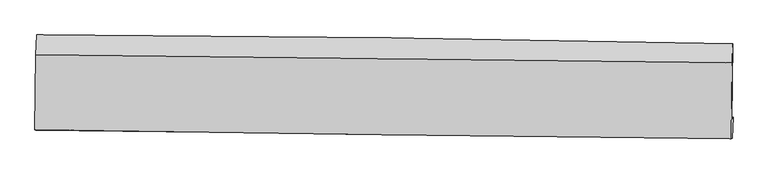
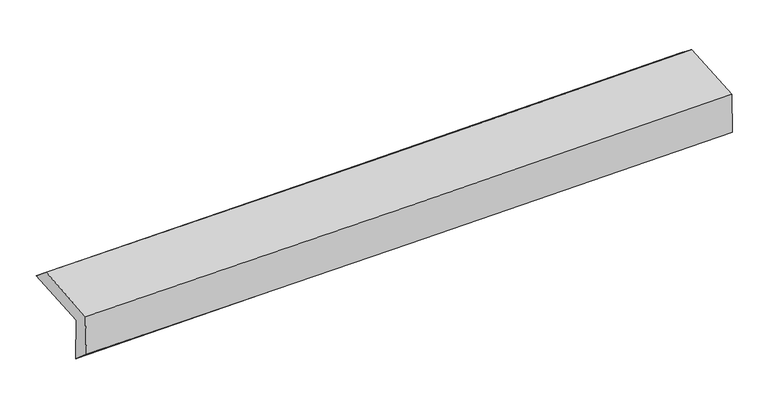
"""IFC4 building model written with IfcOpenShell, lengths in millimetres: proxy geometry."""

import ifcopenshell
import ifcopenshell.guid

model = None  # the IFC model being written
_history = None  # IfcOwnerHistory: only IFC2X3 demands one
_inside = {}  # id of a spatial element -> (the spatial element, [elements in it])
_under = {}  # id of a project, library or spatial element -> (it, [spatial elements below it])
_declared = {}  # id of a project -> (the project, [libraries it declares])
_typed = {}  # id of a type object -> (the type object, [elements of that type])
_made_of = {}  # id of a material, layer set ... -> (it, [elements and type objects made of it])


def new_model(schema):
    """Start an empty IFC model of exactly this schema.

    Asked for "IFC4X3", IfcOpenShell would pick the latest addendum, in which some entities
    have other attributes; the version numbers below select the first issue.
    IFC2X3 requires an IfcOwnerHistory on every rooted entity: one is made here for all.
    """
    global model, _history
    if schema == "IFC4X3":
        model = ifcopenshell.file(schema_version=(4, 3, 0, 0))
    else:
        model = ifcopenshell.file(schema=schema)
    _inside.clear()
    _under.clear()
    _declared.clear()
    _typed.clear()
    _made_of.clear()
    _history = None
    if model.schema == "IFC2X3":
        org = make("IfcOrganization", Name="unknown")
        user = make(
            "IfcPersonAndOrganization",
            ThePerson=make("IfcPerson", FamilyName="unknown"),
            TheOrganization=org,
        )
        app = make(
            "IfcApplication",
            ApplicationDeveloper=org,
            Version="unknown",
            ApplicationFullName="unknown",
            ApplicationIdentifier="unknown",
        )
        _history = make(
            "IfcOwnerHistory",
            OwningUser=user,
            OwningApplication=app,
            ChangeAction="ADDED",
            CreationDate=0,
        )
    return model


def make(cls, **values):
    """One entity of the class cls with the attributes given. An attribute that is None is left unset."""
    return model.create_entity(
        cls, **{name: value for name, value in values.items() if value is not None}
    )


def rooted(cls, **values):
    """An entity with a GlobalId (a new one), such as an element, a storey or a relation."""
    return make(cls, GlobalId=ifcopenshell.guid.new(), OwnerHistory=_history, **values)


def si_unit(unit_type, name, prefix=None):
    """IfcSIUnit, for example si_unit("LENGTHUNIT", "METRE", prefix="MILLI")."""
    return make("IfcSIUnit", UnitType=unit_type, Prefix=prefix, Name=name)


def assignment(units):
    """IfcUnitAssignment: the units of a project."""
    return None if units is None else make("IfcUnitAssignment", Units=units)


def point(xyz):
    """IfcCartesianPoint."""
    return None if xyz is None else make("IfcCartesianPoint", Coordinates=xyz)


def direction(xyz):
    """IfcDirection."""
    return None if xyz is None else make("IfcDirection", DirectionRatios=xyz)


def frame(location, z_axis=None, x_axis=None):
    """IfcAxis2Placement3D, a coordinate frame: its origin and axes. An axis left out is left unset."""
    return make(
        "IfcAxis2Placement3D",
        Location=point(location),
        Axis=direction(z_axis),
        RefDirection=direction(x_axis),
    )


def origin():
    """The frame at (0, 0, 0) with its axes left unset."""
    return frame((0.0, 0.0, 0.0))


def place(relative_to, where):
    """IfcLocalPlacement: puts the frame where relative to a parent placement (None: the world)."""
    return make(
        "IfcLocalPlacement", PlacementRelTo=relative_to, RelativePlacement=where
    )


def context(
    kind, dimensions, precision=None, world=None, true_north=None, identifier=None
):
    """IfcGeometricRepresentationContext, for example the 3D "Model" context."""
    return make(
        "IfcGeometricRepresentationContext",
        ContextIdentifier=identifier,
        ContextType=kind,
        CoordinateSpaceDimension=dimensions,
        Precision=precision,
        WorldCoordinateSystem=world,
        TrueNorth=true_north,
    )


def project(units=None, contexts=None):
    """IfcProject with its units and contexts."""
    return rooted(
        "IfcProject",
        Name="project",
        RepresentationContexts=contexts,
        UnitsInContext=assignment(units),
    )


def spatial(cls, under=None, at=None, **own):
    """A site, building, storey or space (cls), placed at a placement, below another one or the project."""
    s = rooted(cls, ObjectPlacement=at, **own)
    if under is not None:
        _under.setdefault(under.id(), (under, []))[1].append(s)
    return s


def shape(context_of_items, identifier, shape_type, items):
    """IfcShapeRepresentation: the items that make up one representation, for example the "Body"."""
    return make(
        "IfcShapeRepresentation",
        ContextOfItems=context_of_items,
        RepresentationIdentifier=identifier,
        RepresentationType=shape_type,
        Items=items,
    )


def source(mapping_origin, context_of_items, identifier, shape_type, items):
    """IfcRepresentationMap: a shape defined once, which mapped items show again and again."""
    return make(
        "IfcRepresentationMap",
        MappingOrigin=mapping_origin,
        MappedRepresentation=shape(context_of_items, identifier, shape_type, items),
    )


def transform(
    local_origin,
    x_axis=None,
    y_axis=None,
    z_axis=None,
    scale=None,
    scale2=None,
    scale3=None,
    uniform=True,
):
    """IfcCartesianTransformationOperator3D, or its non-uniform kind. x_axis, y_axis, z_axis: its Axis1, 2, 3."""
    if uniform:
        return make(
            "IfcCartesianTransformationOperator3D",
            Axis1=direction(x_axis),
            Axis2=direction(y_axis),
            LocalOrigin=point(local_origin),
            Scale=scale,
            Axis3=direction(z_axis),
        )
    return make(
        "IfcCartesianTransformationOperator3DnonUniform",
        Axis1=direction(x_axis),
        Axis2=direction(y_axis),
        LocalOrigin=point(local_origin),
        Scale=scale,
        Axis3=direction(z_axis),
        Scale2=scale2,
        Scale3=scale3,
    )


def mapped(mapping_source, mapping_target):
    """IfcMappedItem: shows the shape of a source again, moved by a transform."""
    return make(
        "IfcMappedItem", MappingSource=mapping_source, MappingTarget=mapping_target
    )


def made_of(thing, what):
    """Note that an element or type object is made of a material, layer set ...; save() writes the relation."""
    if what is not None:
        _made_of.setdefault(what.id(), (what, []))[1].append(thing)
    return thing


def element(
    cls,
    number,
    at=None,
    inside=None,
    cuts=None,
    type_object=None,
    material=None,
    context=None,
    identifier="Body",
    shape_type=None,
    held_by="IfcProductDefinitionShape",
    body=None,
    shapes=None,
    **own,
):
    """One element of the class cls, such as IfcWall. Its Tag is "e" and its number.

    at: its placement. inside: the storey or other place that contains it. cuts: it is an
    opening in that element (IfcRelVoidsElement). A single representation is given by context,
    identifier, shape_type and body (its items); several are given by shapes. held_by: the class
    of the entity that holds the representations. save() writes the other relations.
    """
    e = rooted(cls, Tag="e%d" % number, ObjectPlacement=at, **own)
    if body is not None:
        shapes = [shape(context, identifier, shape_type, body)]
    if shapes is not None:
        e.Representation = make(held_by, Representations=shapes)
    if inside is not None:
        _inside.setdefault(inside.id(), (inside, []))[1].append(e)
    if cuts is not None:
        rooted(
            "IfcRelVoidsElement", RelatingBuildingElement=cuts, RelatedOpeningElement=e
        )
    if type_object is not None:
        _typed.setdefault(type_object.id(), (type_object, []))[1].append(e)
    return made_of(e, material)


def aggregate(whole, parts):
    """IfcRelAggregates: a whole, such as a stair, and the parts it consists of."""
    return rooted("IfcRelAggregates", RelatingObject=whole, RelatedObjects=parts)


def save(model, path):
    """Write the relations noted so far, then the file.

    IfcRelAggregates (storeys below a building ...), IfcRelContainedInSpatialStructure (elements
    in a storey), IfcRelDefinesByType, IfcRelAssociatesMaterial and IfcRelDeclares: one each for
    every whole, place, type object, material and project.
    """
    for whole, parts in _under.values():
        aggregate(whole, parts)
    for where, things in _inside.values():
        rooted(
            "IfcRelContainedInSpatialStructure",
            RelatedElements=things,
            RelatingStructure=where,
        )
    for kind, things in _typed.values():
        rooted("IfcRelDefinesByType", RelatedObjects=things, RelatingType=kind)
    for what, things in _made_of.values():
        rooted("IfcRelAssociatesMaterial", RelatedObjects=things, RelatingMaterial=what)
    for by, libraries in _declared.values():
        rooted("IfcRelDeclares", RelatingContext=by, RelatedDefinitions=libraries)
    model.write(path)


def plane_surface(at):
    """IfcPlane: the flat surface through the origin of the frame at, square to its z axis."""
    return make("IfcPlane", Position=at)


def spline_curve(degree, points, multiplicities, knots, weights=None):
    """IfcBSplineCurveWithKnots; with weights, IfcRationalBSplineCurveWithKnots."""
    own = dict(
        Degree=degree,
        ControlPointsList=[point(p) for p in points],
        CurveForm="UNSPECIFIED",
        ClosedCurve=False,
        SelfIntersect=False,
        KnotMultiplicities=multiplicities,
        Knots=knots,
        KnotSpec="UNSPECIFIED",
    )
    if weights is None:
        return make("IfcBSplineCurveWithKnots", **own)
    return make("IfcRationalBSplineCurveWithKnots", WeightsData=weights, **own)


def spline_surface(u_degree, v_degree, points, u_multiplicities, v_multiplicities, u_knots, v_knots, weights=None):
    """IfcBSplineSurfaceWithKnots; with weights, IfcRationalBSplineSurfaceWithKnots. points: one row for each step in u."""
    own = dict(
        UDegree=u_degree,
        VDegree=v_degree,
        ControlPointsList=[[point(p) for p in row] for row in points],
        SurfaceForm="UNSPECIFIED",
        UClosed=False,
        VClosed=False,
        SelfIntersect=False,
        UMultiplicities=u_multiplicities,
        VMultiplicities=v_multiplicities,
        UKnots=u_knots,
        VKnots=v_knots,
        KnotSpec="UNSPECIFIED",
    )
    if weights is None:
        return make("IfcBSplineSurfaceWithKnots", **own)
    return make("IfcRationalBSplineSurfaceWithKnots", WeightsData=weights, **own)


def advanced_brep(points, edges, surfaces, faces):
    """IfcAdvancedBrep: a solid bounded by faces that lie on surfaces and meet in shared edges.

    An edge is (start, end): straight between two places in points (the first is 0);
    or (start, end, curve); or (start, end, curve, False) where it runs against its curve.
    A face is (place in surfaces, loops), or (place, loops, False) where it looks against
    its surface's normal. A loop lists edges by number (the first is 1), with a minus sign
    where the edge is run from its end to its start. The first loop is the outer one.
    """
    corners = [point(p) for p in points]
    vertices = [make("IfcVertexPoint", VertexGeometry=c) for c in corners]
    made = []
    for start, end, *more in edges:
        made.append(
            make(
                "IfcEdgeCurve",
                EdgeStart=vertices[start],
                EdgeEnd=vertices[end],
                EdgeGeometry=more[0] if more else make("IfcPolyline", Points=[corners[start], corners[end]]),
                SameSense=more[1] if len(more) > 1 else True,
            )
        )
    hull = []
    for where, loops, *sense in faces:
        bounds = []
        for j, loop in enumerate(loops):
            ring = [make("IfcOrientedEdge", EdgeElement=made[abs(k) - 1], Orientation=k > 0) for k in loop]
            bounds.append(
                make(
                    "IfcFaceOuterBound" if j == 0 else "IfcFaceBound",
                    Bound=make("IfcEdgeLoop", EdgeList=ring),
                    Orientation=True,
                )
            )
        hull.append(make("IfcAdvancedFace", Bounds=bounds, FaceSurface=surfaces[where], SameSense=sense[0] if sense else True))
    return make("IfcAdvancedBrep", Outer=make("IfcClosedShell", CfsFaces=hull))


def generic_models_f456de6a(model_context):
    return source(origin(), model_context, "Body", "AdvancedBrep", [
        advanced_brep(
        [(-3024.2557673, -1757.9733591, 1940.7097095), (-3014.9636628, -1095.5329693, 1978.0127544), (3011.1824479, -1170.5761275, 2135.3720055), (3003.0130572, -1833.4771116, 2113.3815632), (-3014.6486953, -1737.0638202, 1541.3721389), (3013.0444817, -1807.4764779, 1699.153425), (-3021.1118609, -1919.7070135, 1698.8490149), (3007.383737, -1989.7780337, 1839.0401666), (-3029.814851, -1917.2079595, 2074.7470582), (2998.4827878, -1993.4573549, 2217.4454777), (-3020.7750845, -1265.4164694, 2115.8781934), (3006.1016562, -1336.595247, 2259.5862354)],
        [
            (0, 1),
            (1, 2, spline_curve(3, [(-3014.9636628, -1095.5329693, 1978.0127544), (-2010.493141014, -1100.15896101, 1993.756285622), (-1006.19626428, -1108.723173013, 2014.73703678), (1002.519268381, -1133.733878803, 2067.185226545), (2006.937761838, -1150.184052704, 2098.657559027), (3011.1824479, -1170.5761275, 2135.3720055)], [4, 2, 4], [0.0, 9.888677806144493, 19.78197503261857])),
            (2, 3),
            (3, 0, spline_curve(3, [(3003.0130572, -1833.4771116, 2113.3815632), (1998.54742545, -1820.513359007, 2072.198379666), (993.924881783, -1807.738077994, 2037.21555389), (-1015.164873095, -1782.570336292, 1979.664058342), (-2019.631937387, -1770.177699902, 1957.089599223), (-3024.2557673, -1757.9733591, 1940.7097095)], [4, 2, 4], [0.0, 9.893297226474076, 19.78197503261857])),
            (4, 0),
            (3, 5),
            (5, 4, spline_curve(3, [(3013.0444817, -1807.4764779, 1699.153425), (2008.246822015, -1794.707646839, 1672.119699202), (1003.422924144, -1782.454259877, 1645.451410634), (-1005.808159654, -1758.983855453, 1592.857990005), (-2010.215320414, -1747.766356212, 1566.932516522), (-3014.6486953, -1737.0638202, 1541.3721389)], [4, 2, 4], [0.0, 9.89441125438793, 19.784202568279632])),
            (6, 4),
            (5, 7),
            (7, 6, spline_curve(3, [(3007.383737, -1989.7780337, 1839.0401666), (2002.512908065, -1977.511990849, 1812.366446364), (997.585534223, -1965.538422188, 1787.344647779), (-1011.913051267, -1942.181688798, 1740.615806383), (-2016.484210226, -1930.798250459, 1718.907220885), (-3021.1118609, -1919.7070135, 1698.8490149)], [4, 2, 4], [0.0, 9.894612860479477, 19.784605686327954])),
            (8, 6),
            (7, 9),
            (9, 8, spline_curve(3, [(2998.4827878, -1993.4573549, 2217.4454777), (1993.632063645, -1982.205797885, 2189.528656162), (988.73124452, -1970.224249099, 2163.676415805), (-1020.701348374, -1944.807102227, 2116.11220363), (-2025.233075526, -1931.372186216, 2094.398304125), (-3029.814851, -1917.2079595, 2074.7470582)], [4, 2, 4], [0.0, 9.894878763475615, 19.785137368163678])),
            (10, 8),
            (9, 11),
            (11, 10, spline_curve(3, [(3006.1016562, -1336.595247, 2259.5862354), (2001.483569947, -1324.080011838, 2231.875880184), (996.817505855, -1311.889520109, 2206.042674309), (-1012.14145271, -1288.163564096, 2158.141746355), (-2016.434302152, -1276.627796446, 2136.072271444), (-3020.7750845, -1265.4164694, 2115.8781934)], [4, 2, 4], [0.0, 9.893632337229455, 19.78264509765799])),
            (1, 10),
            (11, 2),
        ],
        [
            spline_surface(3, 3, [[(-3024.2557673, -1757.9733591, 1940.7097095), (-2019.63193753, -1770.177699871, 1957.089599241), (-1015.164872987, -1782.570336373, 1979.664058258), (993.924881674, -1807.738077913, 2037.215553974), (1998.547425304, -1820.513358905, 2072.198379538), (3003.0130572, -1833.4771116, 2113.3815632)], [(-3021.158399132, -1537.159895828, 1953.144057784), (-2016.58567203, -1546.838120195, 1969.311828051), (-1012.175336719, -1557.954615236, 1991.355051123), (996.789677223, -1583.070011519, 2047.205444773), (2001.344204107, -1597.070256821, 2081.018106), (3005.736187435, -1612.510116874, 2120.711710638)], [(-3018.061030968, -1316.346432572, 1965.578406116), (-2013.539406534, -1323.498540533, 1981.53405691), (-1009.185800469, -1333.338894161, 2003.046044039), (999.654472753, -1358.401945187, 2057.195335622), (2004.140982904, -1373.627154815, 2089.837832447), (3008.459317665, -1391.543122226, 2128.041858062)], [(-3014.9636628, -1095.5329693, 1978.0127544), (-2010.493141035, -1100.158960856, 1993.75628572), (-1006.196264201, -1108.723173023, 2014.737036904), (1002.519268302, -1133.733878793, 2067.185226421), (2006.937761706, -1150.18405273, 2098.657558908), (3011.1824479, -1170.5761275, 2135.3720055)]], [4, 4], [4, 2, 4], [0.0, 2.2138025918507758], [0.0, 9.888677806144493, 19.78197503261857]),
            spline_surface(3, 3, [[(-3014.6486953, -1737.0638202, 1541.3721389), (-2010.215320542, -1747.766356304, 1566.932516362), (-1005.808159503, -1758.983855326, 1592.85798989), (1003.422923994, -1782.454260004, 1645.451410749), (2008.246821955, -1794.707646858, 1672.119699236), (3013.0444817, -1807.4764779, 1699.153425)], [(-3017.851052643, -1744.033666526, 1674.484662456), (-2013.35419288, -1755.236804186, 1696.984877345), (-1008.927063993, -1766.846015694, 1721.793346007), (1000.256909892, -1790.882199326, 1776.039458486), (2005.013689726, -1803.309550891, 1805.479259342), (3009.700673521, -1816.143355817, 1837.229471072)], [(-3021.053409957, -1751.003512774, 1807.597185944), (-2016.493065191, -1762.70725199, 1827.037238259), (-1012.045968497, -1774.708176005, 1850.72870214), (997.090895776, -1799.310138591, 1906.627506238), (2001.780557533, -1811.911454873, 1938.838819432), (3006.356865379, -1824.810233683, 1975.305517128)], [(-3024.2557673, -1757.9733591, 1940.7097095), (-2019.63193753, -1770.177699871, 1957.089599241), (-1015.164872987, -1782.570336373, 1979.664058258), (993.924881674, -1807.738077913, 2037.215553974), (1998.547425304, -1820.513358905, 2072.198379538), (3003.0130572, -1833.4771116, 2113.3815632)]], [4, 4], [4, 2, 4], [0.0, 1.2800732723418646], [0.0, 9.889791313891703, 19.784202568279632]),
            spline_surface(3, 3, [[(-3021.1118609, -1919.7070135, 1698.8490149), (-2016.484210128, -1930.798250382, 1718.90722084), (-1011.913051249, -1942.181688649, 1740.615806272), (997.585534205, -1965.538422337, 1787.34464789), (2002.512907901, -1977.511990768, 1812.366446353), (3007.383737, -1989.7780337, 1839.0401666)], [(-3018.957472348, -1858.825949065, 1646.356722874), (-2014.394580247, -1869.787619021, 1668.248985988), (-1009.878087328, -1881.115744195, 1691.363200821), (999.531330808, -1904.510368213, 1740.046902186), (2004.424212575, -1916.577209457, 1765.617530629), (3009.27065189, -1929.010848426, 1792.411252714)], [(-3016.803083852, -1797.944884635, 1593.864430926), (-2012.304950423, -1808.776987666, 1617.590751215), (-1007.843123425, -1820.04979978, 1642.110595341), (1001.477127392, -1843.482314128, 1692.749156454), (2006.335517281, -1855.642428169, 1718.86861496), (3011.15756681, -1868.243663174, 1745.782338886)], [(-3014.6486953, -1737.0638202, 1541.3721389), (-2010.215320542, -1747.766356304, 1566.932516362), (-1005.808159503, -1758.983855326, 1592.85798989), (1003.422923994, -1782.454260004, 1645.451410749), (2008.246821955, -1794.707646858, 1672.119699236), (3013.0444817, -1807.4764779, 1699.153425)]], [4, 4], [4, 2, 4], [0.0, 0.7662731915172336], [0.0, 9.889992825848477, 19.784605686327954]),
            spline_surface(3, 3, [[(-3029.814851, -1917.2079595, 2074.7470582), (-2025.233075467, -1931.372186144, 2094.398304218), (-1020.701348461, -1944.807102321, 2116.11220357), (988.731244607, -1970.224249006, 2163.676415865), (1993.632063806, -1982.205797944, 2189.528656311), (2998.4827878, -1993.4573549, 2217.4454777)], [(-3026.913854297, -1918.040977498, 1949.447710451), (-2022.316787018, -1931.180874222, 1969.234609776), (-1017.771916057, -1943.93196445, 1990.946737815), (991.682674473, -1968.662306803, 2038.232493218), (1996.592345173, -1980.641195559, 2063.807919661), (3001.449770868, -1992.230914507, 2091.310374002)], [(-3024.012857603, -1918.873995502, 1824.148362649), (-2019.400498578, -1930.989562304, 1844.070915282), (-1014.842483653, -1943.05682652, 1865.781272027), (994.63410434, -1967.10036454, 1912.788570537), (1999.552626534, -1979.076593154, 1938.087183004), (3004.416753932, -1991.004474093, 1965.175270298)], [(-3021.1118609, -1919.7070135, 1698.8490149), (-2016.484210128, -1930.798250382, 1718.90722084), (-1011.913051249, -1942.181688649, 1740.615806272), (997.585534205, -1965.538422337, 1787.34464789), (2002.512907901, -1977.511990768, 1812.366446353), (3007.383737, -1989.7780337, 1839.0401666)]], [4, 4], [4, 2, 4], [0.0, 1.2337123991022387], [0.0, 9.890258604688063, 19.785137368163678]),
            spline_surface(3, 3, [[(-3020.7750845, -1265.4164694, 2115.8781934), (-2016.434302106, -1276.627796594, 2136.072271576), (-1012.141452606, -1288.163564106, 2158.141746277), (996.817505751, -1311.8895201, 2206.042674386), (2001.483569824, -1324.08001182, 2231.87588034), (3006.1016562, -1336.595247, 2259.5862354)], [(-3023.788340017, -1482.68029942, 2102.167815005), (-2019.367226577, -1494.875926431, 2122.180949128), (-1014.994751211, -1507.044743498, 2144.131898704), (994.122085382, -1531.334429723, 2191.920588209), (1998.866401167, -1543.455273873, 2217.760139013), (3003.562033416, -1555.549282978, 2245.539316183)], [(-3026.801595483, -1699.94412948, 2088.457436595), (-2022.300150997, -1713.124056308, 2108.289626665), (-1017.848049855, -1725.925922928, 2130.122051143), (991.426664975, -1750.779339383, 2177.798502043), (1996.249232462, -1762.830535891, 2203.644397638), (3001.022410584, -1774.503318922, 2231.492396917)], [(-3029.814851, -1917.2079595, 2074.7470582), (-2025.233075467, -1931.372186144, 2094.398304218), (-1020.701348461, -1944.807102321, 2116.11220357), (988.731244607, -1970.224249006, 2163.676415865), (1993.632063806, -1982.205797944, 2189.528656311), (2998.4827878, -1993.4573549, 2217.4454777)]], [4, 4], [4, 2, 4], [0.0, 2.1617285047097163], [0.0, 9.889012760428535, 19.78264509765799]),
            spline_surface(3, 3, [[(-3014.9636628, -1095.5329693, 1978.0127544), (-2010.493141035, -1100.158960856, 1993.75628572), (-1006.196264201, -1108.723173023, 2014.737036904), (1002.519268302, -1133.733878793, 2067.185226421), (2006.937761706, -1150.18405273, 2098.657558908), (3011.1824479, -1170.5761275, 2135.3720055)], [(-3016.900803363, -1152.160802663, 2023.967900731), (-2012.473528055, -1158.981906098, 2041.19494767), (-1008.177993699, -1168.536636725, 2062.538606701), (1000.618680755, -1193.119092569, 2113.471042415), (2005.119697748, -1208.149372426, 2143.063666042), (3009.488850669, -1225.915833999, 2176.776748789)], [(-3018.837943937, -1208.788636037, 2069.923047069), (-2014.453915086, -1217.804851352, 2088.633609627), (-1010.159723108, -1228.350100404, 2110.34017648), (998.718093298, -1252.504306323, 2159.756858392), (2003.301633782, -1266.114692124, 2187.469773207), (3007.795253431, -1281.255540501, 2218.181492111)], [(-3020.7750845, -1265.4164694, 2115.8781934), (-2016.434302106, -1276.627796594, 2136.072271576), (-1012.141452606, -1288.163564106, 2158.141746277), (996.817505751, -1311.8895201, 2206.042674386), (2001.483569824, -1324.08001182, 2231.87588034), (3006.1016562, -1336.595247, 2259.5862354)]], [4, 4], [4, 2, 4], [0.0, 0.7475724463485497], [0.0, 9.887594889125069, 19.779808692703305]),
            plane_surface(frame((3006.5346946, -1688.5600588, 2043.9964789), z_axis=(0.9996407311753296, -0.01309507010859741, 0.02338648571512343), x_axis=(0.02351464727741169, 0.009720080160587227, -0.9996762382917236))),
            plane_surface(frame((-3020.9283203, -1615.4835985, 1891.5948115), z_axis=(-0.9996122347316974, 0.015330629580418899, -0.02324547206167278), x_axis=(-0.014003519888017025, -0.9983203664524655, -0.0562169668068378))),
        ],
        [
            (0, [[1, 2, 3, 4]]),
            (1, [[5, -4, 6, 7]]),
            (2, [[8, -7, 9, 10]]),
            (3, [[11, -10, 12, 13]]),
            (4, [[14, -13, 15, 16]]),
            (5, [[17, -16, 18, -2]]),
            (6, [[-12, -9, -6, -3, -18, -15]]),
            (7, [[-1, -5, -8, -11, -14, -17]]),
        ],
    ),
    ])


if __name__ == "__main__":
    model = new_model("IFC4")
    model_context = context("Model", 3, world=origin())
    ifc_project = project(units=[si_unit("LENGTHUNIT", "METRE", prefix="MILLI")], contexts=[model_context])
    site = spatial("IfcSite", under=ifc_project)
    building = spatial("IfcBuilding", under=site)
    placement = place(None, origin())
    generic_models_shape = generic_models_f456de6a(model_context)
    element("IfcBuildingElementProxy", 1, Name="Generic Models", at=placement, inside=building, context=model_context, shape_type="MappedRepresentation", body=[
        mapped(generic_models_shape, transform((0.0, 0.0, 0.0), x_axis=(1.0, 0.0, 0.0), y_axis=(0.0, 1.0, 0.0), z_axis=(0.0, 0.0, 1.0))),
    ])
    save(model, "model.ifc")
